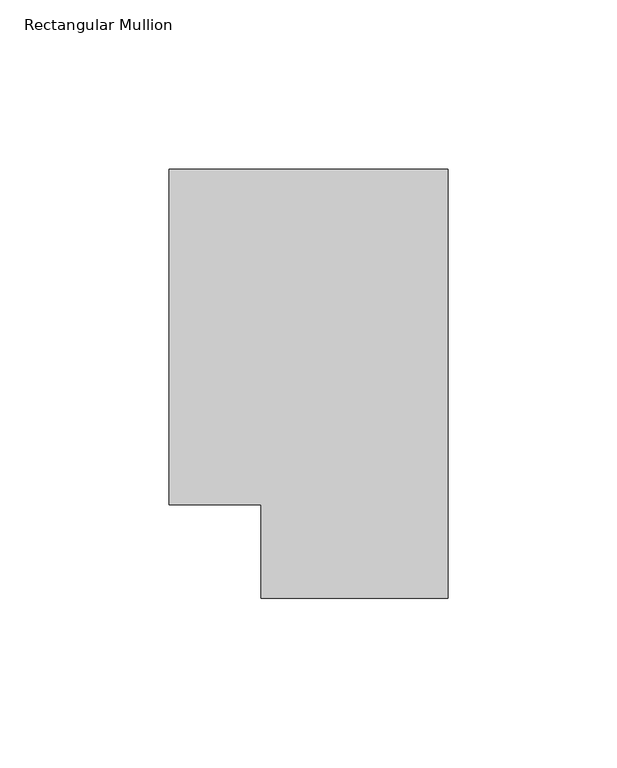
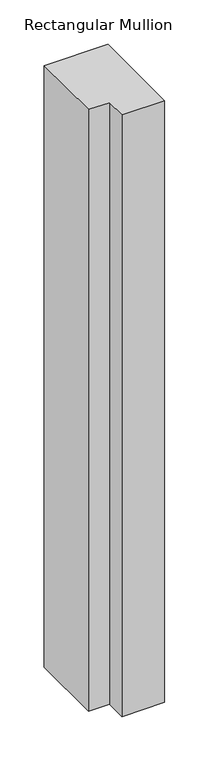
"""IFC4 building model written with IfcOpenShell, lengths in millimetres: member geometry, Rectangular Mullion."""

from ifc_helpers import new_model, si_unit, frame, origin, place, context, project, spatial, polyline, outline, extrude, source, transform, mapped, element, save


def rectangular_mullion_b0c14f7b(model_context):
    return source(origin(), model_context, "Body", "SweptSolid", [
        extrude(outline(polyline([(0.0, 138.7038437), (0.0, 11.7059608), (-55.3125404, 11.7059608), (-55.3125404, 39.3898438), (-82.55, 39.3898438), (-82.55, 138.7038437), (0.0, 138.7038437)])), frame((0.0, 0.0, -825.4909101), z_axis=(0.0, 0.0, 1.0), x_axis=(1.0, 0.0, 0.0)), (0.0, 0.0, 1.0), 825.4909101),
    ])


if __name__ == "__main__":
    model = new_model("IFC4")
    model_context = context("Model", 3, world=origin())
    ifc_project = project(units=[si_unit("LENGTHUNIT", "METRE", prefix="MILLI")], contexts=[model_context])
    site = spatial("IfcSite", under=ifc_project)
    building = spatial("IfcBuilding", under=site)
    placement = place(None, origin())
    rectangular_mullion_shape = rectangular_mullion_b0c14f7b(model_context)
    element("IfcMember", 1, ObjectType="Rectangular Mullion", at=placement, inside=building, context=model_context, shape_type="MappedRepresentation", body=[
        mapped(rectangular_mullion_shape, transform((0.0, 0.0, 0.0), x_axis=(1.0, 0.0, 0.0), y_axis=(0.0, 1.0, 0.0), z_axis=(0.0, 0.0, 1.0))),
    ])
    save(model, "model.ifc")
